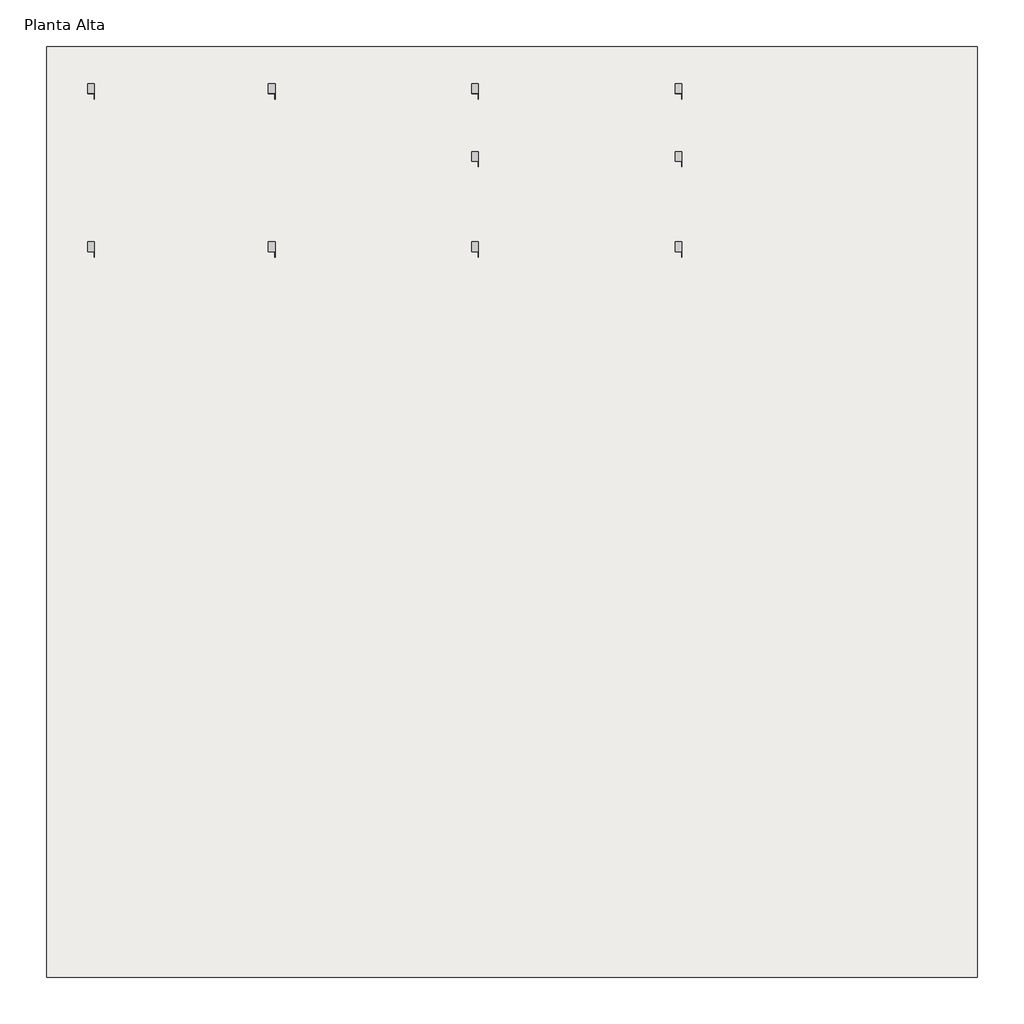
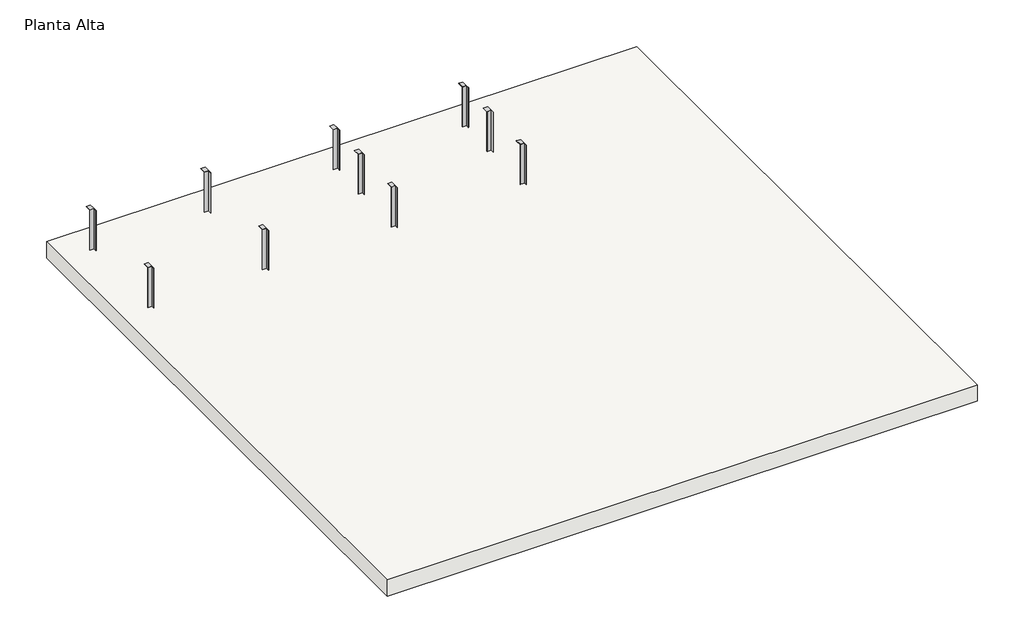
# One storey: 10 proxies, 1 slab.
"""IFC4 building model written with IfcOpenShell, lengths in millimetres."""

import ifcopenshell
import ifcopenshell.guid

model = None  # the IFC model being written
_history = None  # IfcOwnerHistory: only IFC2X3 demands one
_inside = {}  # id of a spatial element -> (the spatial element, [elements in it])
_under = {}  # id of a project, library or spatial element -> (it, [spatial elements below it])
_declared = {}  # id of a project -> (the project, [libraries it declares])
_typed = {}  # id of a type object -> (the type object, [elements of that type])
_made_of = {}  # id of a material, layer set ... -> (it, [elements and type objects made of it])


def new_model(schema):
    """Start an empty IFC model of exactly this schema.

    Asked for "IFC4X3", IfcOpenShell would pick the latest addendum, in which some entities
    have other attributes; the version numbers below select the first issue.
    IFC2X3 requires an IfcOwnerHistory on every rooted entity: one is made here for all.
    """
    global model, _history
    if schema == "IFC4X3":
        model = ifcopenshell.file(schema_version=(4, 3, 0, 0))
    else:
        model = ifcopenshell.file(schema=schema)
    _inside.clear()
    _under.clear()
    _declared.clear()
    _typed.clear()
    _made_of.clear()
    _history = None
    if model.schema == "IFC2X3":
        org = make("IfcOrganization", Name="unknown")
        user = make(
            "IfcPersonAndOrganization",
            ThePerson=make("IfcPerson", FamilyName="unknown"),
            TheOrganization=org,
        )
        app = make(
            "IfcApplication",
            ApplicationDeveloper=org,
            Version="unknown",
            ApplicationFullName="unknown",
            ApplicationIdentifier="unknown",
        )
        _history = make(
            "IfcOwnerHistory",
            OwningUser=user,
            OwningApplication=app,
            ChangeAction="ADDED",
            CreationDate=0,
        )
    return model


def make(cls, **values):
    """One entity of the class cls with the attributes given. An attribute that is None is left unset."""
    return model.create_entity(
        cls, **{name: value for name, value in values.items() if value is not None}
    )


def rooted(cls, **values):
    """An entity with a GlobalId (a new one), such as an element, a storey or a relation."""
    return make(cls, GlobalId=ifcopenshell.guid.new(), OwnerHistory=_history, **values)


def si_unit(unit_type, name, prefix=None):
    """IfcSIUnit, for example si_unit("LENGTHUNIT", "METRE", prefix="MILLI")."""
    return make("IfcSIUnit", UnitType=unit_type, Prefix=prefix, Name=name)


def assignment(units):
    """IfcUnitAssignment: the units of a project."""
    return None if units is None else make("IfcUnitAssignment", Units=units)


def point(xyz):
    """IfcCartesianPoint."""
    return None if xyz is None else make("IfcCartesianPoint", Coordinates=xyz)


def direction(xyz):
    """IfcDirection."""
    return None if xyz is None else make("IfcDirection", DirectionRatios=xyz)


def frame(location, z_axis=None, x_axis=None):
    """IfcAxis2Placement3D, a coordinate frame: its origin and axes. An axis left out is left unset."""
    return make(
        "IfcAxis2Placement3D",
        Location=point(location),
        Axis=direction(z_axis),
        RefDirection=direction(x_axis),
    )


def origin():
    """The frame at (0, 0, 0) with its axes left unset."""
    return frame((0.0, 0.0, 0.0))


def origin_with_axes():
    """The frame at (0, 0, 0) with the z axis (0, 0, 1) and the x axis (1, 0, 0) written out."""
    return frame((0.0, 0.0, 0.0), z_axis=(0.0, 0.0, 1.0), x_axis=(1.0, 0.0, 0.0))


def place(relative_to, where):
    """IfcLocalPlacement: puts the frame where relative to a parent placement (None: the world)."""
    return make(
        "IfcLocalPlacement", PlacementRelTo=relative_to, RelativePlacement=where
    )


def context(
    kind, dimensions, precision=None, world=None, true_north=None, identifier=None
):
    """IfcGeometricRepresentationContext, for example the 3D "Model" context."""
    return make(
        "IfcGeometricRepresentationContext",
        ContextIdentifier=identifier,
        ContextType=kind,
        CoordinateSpaceDimension=dimensions,
        Precision=precision,
        WorldCoordinateSystem=world,
        TrueNorth=true_north,
    )


def project(units=None, contexts=None):
    """IfcProject with its units and contexts."""
    return rooted(
        "IfcProject",
        Name="project",
        RepresentationContexts=contexts,
        UnitsInContext=assignment(units),
    )


def spatial(cls, under=None, at=None, **own):
    """A site, building, storey or space (cls), placed at a placement, below another one or the project."""
    s = rooted(cls, ObjectPlacement=at, **own)
    if under is not None:
        _under.setdefault(under.id(), (under, []))[1].append(s)
    return s


def polyline(points):
    """IfcPolyline through the points."""
    return make("IfcPolyline", Points=[point(p) for p in points])


def outline(outer, holes=None, kind="AREA"):
    """IfcArbitraryClosedProfileDef: a profile drawn as a closed curve; with holes, ...WithVoids."""
    if holes is None:
        return make("IfcArbitraryClosedProfileDef", ProfileType=kind, OuterCurve=outer)
    return make(
        "IfcArbitraryProfileDefWithVoids",
        ProfileType=kind,
        OuterCurve=outer,
        InnerCurves=holes,
    )


def extrude(swept, where, along, depth):
    """IfcExtrudedAreaSolid: the profile swept, set in the frame where, extruded along a direction by depth."""
    return make(
        "IfcExtrudedAreaSolid",
        SweptArea=swept,
        Position=where,
        ExtrudedDirection=direction(along),
        Depth=depth,
    )


def shape(context_of_items, identifier, shape_type, items):
    """IfcShapeRepresentation: the items that make up one representation, for example the "Body"."""
    return make(
        "IfcShapeRepresentation",
        ContextOfItems=context_of_items,
        RepresentationIdentifier=identifier,
        RepresentationType=shape_type,
        Items=items,
    )


def source(mapping_origin, context_of_items, identifier, shape_type, items):
    """IfcRepresentationMap: a shape defined once, which mapped items show again and again."""
    return make(
        "IfcRepresentationMap",
        MappingOrigin=mapping_origin,
        MappedRepresentation=shape(context_of_items, identifier, shape_type, items),
    )


def transform(
    local_origin,
    x_axis=None,
    y_axis=None,
    z_axis=None,
    scale=None,
    scale2=None,
    scale3=None,
    uniform=True,
):
    """IfcCartesianTransformationOperator3D, or its non-uniform kind. x_axis, y_axis, z_axis: its Axis1, 2, 3."""
    if uniform:
        return make(
            "IfcCartesianTransformationOperator3D",
            Axis1=direction(x_axis),
            Axis2=direction(y_axis),
            LocalOrigin=point(local_origin),
            Scale=scale,
            Axis3=direction(z_axis),
        )
    return make(
        "IfcCartesianTransformationOperator3DnonUniform",
        Axis1=direction(x_axis),
        Axis2=direction(y_axis),
        LocalOrigin=point(local_origin),
        Scale=scale,
        Axis3=direction(z_axis),
        Scale2=scale2,
        Scale3=scale3,
    )


def mapped(mapping_source, mapping_target):
    """IfcMappedItem: shows the shape of a source again, moved by a transform."""
    return make(
        "IfcMappedItem", MappingSource=mapping_source, MappingTarget=mapping_target
    )


def made_of(thing, what):
    """Note that an element or type object is made of a material, layer set ...; save() writes the relation."""
    if what is not None:
        _made_of.setdefault(what.id(), (what, []))[1].append(thing)
    return thing


def element(
    cls,
    number,
    at=None,
    inside=None,
    cuts=None,
    type_object=None,
    material=None,
    context=None,
    identifier="Body",
    shape_type=None,
    held_by="IfcProductDefinitionShape",
    body=None,
    shapes=None,
    **own,
):
    """One element of the class cls, such as IfcWall. Its Tag is "e" and its number.

    at: its placement. inside: the storey or other place that contains it. cuts: it is an
    opening in that element (IfcRelVoidsElement). A single representation is given by context,
    identifier, shape_type and body (its items); several are given by shapes. held_by: the class
    of the entity that holds the representations. save() writes the other relations.
    """
    e = rooted(cls, Tag="e%d" % number, ObjectPlacement=at, **own)
    if body is not None:
        shapes = [shape(context, identifier, shape_type, body)]
    if shapes is not None:
        e.Representation = make(held_by, Representations=shapes)
    if inside is not None:
        _inside.setdefault(inside.id(), (inside, []))[1].append(e)
    if cuts is not None:
        rooted(
            "IfcRelVoidsElement", RelatingBuildingElement=cuts, RelatedOpeningElement=e
        )
    if type_object is not None:
        _typed.setdefault(type_object.id(), (type_object, []))[1].append(e)
    return made_of(e, material)


def aggregate(whole, parts):
    """IfcRelAggregates: a whole, such as a stair, and the parts it consists of."""
    return rooted("IfcRelAggregates", RelatingObject=whole, RelatedObjects=parts)


def save(model, path):
    """Write the relations noted so far, then the file.

    IfcRelAggregates (storeys below a building ...), IfcRelContainedInSpatialStructure (elements
    in a storey), IfcRelDefinesByType, IfcRelAssociatesMaterial and IfcRelDeclares: one each for
    every whole, place, type object, material and project.
    """
    for whole, parts in _under.values():
        aggregate(whole, parts)
    for where, things in _inside.values():
        rooted(
            "IfcRelContainedInSpatialStructure",
            RelatedElements=things,
            RelatingStructure=where,
        )
    for kind, things in _typed.values():
        rooted("IfcRelDefinesByType", RelatedObjects=things, RelatingType=kind)
    for what, things in _made_of.values():
        rooted("IfcRelAssociatesMaterial", RelatedObjects=things, RelatingMaterial=what)
    for by, libraries in _declared.values():
        rooted("IfcRelDeclares", RelatingContext=by, RelatedDefinitions=libraries)
    model.write(path)


def perfil_angular_l_perfil_angular_l_34959dec(model_context):
    return source(origin(), model_context, "Body", "SweptSolid", [
        extrude(outline(polyline([(-55.2912174, 15.8), (-12.5, 15.8), (-12.5, -14.2), (-55.2912174, -14.2), (-55.2912174, 15.8)])), frame((0.0, 0.0, 599.2), z_axis=(0.0, 0.0, 1.0), x_axis=(1.0, 0.0, 0.0)), (0.0, 0.0, 1.0), 0.8),
        extrude(outline(polyline([(-12.5, 15.8), (12.5, 15.8), (12.5, 15.0), (-11.7, 15.0), (-11.7, -14.2), (-12.5, -14.2), (-12.5, 15.8)])), origin_with_axes(), (0.0, 0.0, 1.0), 600.0),
    ])


model = new_model("IFC4")

# Units and contexts
model_context = context("Model", 3, world=origin())
ifc_project = project(units=[si_unit("LENGTHUNIT", "METRE", prefix="MILLI")], contexts=[model_context])

# Site, building, storey
site = spatial("IfcSite", under=ifc_project)
building = spatial("IfcBuilding", under=site)
storey = spatial("IfcBuildingStorey", under=building, Name="Planta Alta", Elevation=2900.0)

# Proxies
placement = place(None, origin())
perfil_angular_l_perfil_angular_l_shape = perfil_angular_l_perfil_angular_l_34959dec(model_context)
element("IfcBuildingElementProxy", 1, Name="Perfil Angular L : Perfil Angular L", ObjectType="Perfil Angular L : Perfil Angular L", at=placement, inside=storey, context=model_context, shape_type="MappedRepresentation", body=[
    mapped(perfil_angular_l_perfil_angular_l_shape, transform((-5428.3479563, 662.1775389, 2716.0), x_axis=(0.0, -1.0, 0.0), y_axis=(1.0, 0.0, 0.0), z_axis=(0.0, 0.0, 1.0))),
])
element("IfcBuildingElementProxy", 2, Name="Perfil Angular L : Perfil Angular L", ObjectType="Perfil Angular L : Perfil Angular L", at=placement, inside=storey, context=model_context, shape_type="MappedRepresentation", body=[
    mapped(perfil_angular_l_perfil_angular_l_shape, transform((-5428.3479563, 1362.1775389, 2716.0), x_axis=(0.0, -1.0, 0.0), y_axis=(1.0, 0.0, 0.0), z_axis=(0.0, 0.0, 1.0))),
])
element("IfcBuildingElementProxy", 3, Name="Perfil Angular L : Perfil Angular L", ObjectType="Perfil Angular L : Perfil Angular L", at=placement, inside=storey, context=model_context, shape_type="MappedRepresentation", body=[
    mapped(perfil_angular_l_perfil_angular_l_shape, transform((-4628.3479563, 662.1775389, 2716.0), x_axis=(0.0, -1.0, 0.0), y_axis=(1.0, 0.0, 0.0), z_axis=(0.0, 0.0, 1.0))),
])
element("IfcBuildingElementProxy", 4, Name="Perfil Angular L : Perfil Angular L", ObjectType="Perfil Angular L : Perfil Angular L", at=placement, inside=storey, context=model_context, shape_type="MappedRepresentation", body=[
    mapped(perfil_angular_l_perfil_angular_l_shape, transform((-4628.3479563, 1362.1775389, 2716.0), x_axis=(0.0, -1.0, 0.0), y_axis=(1.0, 0.0, 0.0), z_axis=(0.0, 0.0, 1.0))),
])
element("IfcBuildingElementProxy", 5, Name="Perfil Angular L : Perfil Angular L", ObjectType="Perfil Angular L : Perfil Angular L", at=placement, inside=storey, context=model_context, shape_type="MappedRepresentation", body=[
    mapped(perfil_angular_l_perfil_angular_l_shape, transform((-3728.3479563, 662.1775389, 2716.0), x_axis=(0.0, -1.0, 0.0), y_axis=(1.0, 0.0, 0.0), z_axis=(0.0, 0.0, 1.0))),
])
element("IfcBuildingElementProxy", 6, Name="Perfil Angular L : Perfil Angular L", ObjectType="Perfil Angular L : Perfil Angular L", at=placement, inside=storey, context=model_context, shape_type="MappedRepresentation", body=[
    mapped(perfil_angular_l_perfil_angular_l_shape, transform((-3728.3479563, 1062.1775389, 2716.0), x_axis=(0.0, -1.0, 0.0), y_axis=(1.0, 0.0, 0.0), z_axis=(0.0, 0.0, 1.0))),
])
element("IfcBuildingElementProxy", 7, Name="Perfil Angular L : Perfil Angular L", ObjectType="Perfil Angular L : Perfil Angular L", at=placement, inside=storey, context=model_context, shape_type="MappedRepresentation", body=[
    mapped(perfil_angular_l_perfil_angular_l_shape, transform((-3728.3479563, 1362.1775389, 2716.0), x_axis=(0.0, -1.0, 0.0), y_axis=(1.0, 0.0, 0.0), z_axis=(0.0, 0.0, 1.0))),
])
element("IfcBuildingElementProxy", 8, Name="Perfil Angular L : Perfil Angular L", ObjectType="Perfil Angular L : Perfil Angular L", at=placement, inside=storey, context=model_context, shape_type="MappedRepresentation", body=[
    mapped(perfil_angular_l_perfil_angular_l_shape, transform((-2828.3479563, 662.1775389, 2716.0), x_axis=(0.0, -1.0, 0.0), y_axis=(1.0, 0.0, 0.0), z_axis=(0.0, 0.0, 1.0))),
])
element("IfcBuildingElementProxy", 9, Name="Perfil Angular L : Perfil Angular L", ObjectType="Perfil Angular L : Perfil Angular L", at=placement, inside=storey, context=model_context, shape_type="MappedRepresentation", body=[
    mapped(perfil_angular_l_perfil_angular_l_shape, transform((-2828.3479563, 1062.1775389, 2716.0), x_axis=(0.0, -1.0, 0.0), y_axis=(1.0, 0.0, 0.0), z_axis=(0.0, 0.0, 1.0))),
])
element("IfcBuildingElementProxy", 10, Name="Perfil Angular L : Perfil Angular L", ObjectType="Perfil Angular L : Perfil Angular L", at=placement, inside=storey, context=model_context, shape_type="MappedRepresentation", body=[
    mapped(perfil_angular_l_perfil_angular_l_shape, transform((-2828.3479563, 1362.1775389, 2716.0), x_axis=(0.0, -1.0, 0.0), y_axis=(1.0, 0.0, 0.0), z_axis=(0.0, 0.0, 1.0))),
])

# Slab
element("IfcSlab", 11, ObjectType="Floor 1", at=placement, inside=storey, context=model_context, shape_type="SweptSolid", body=[
    extrude(outline(polyline([(-5624.0295002, -2537.8224611), (-5624.0295002, 1582.1775389), (-1504.0295002, 1582.1775389), (-1504.0295002, -2537.8224611), (-5624.0295002, -2537.8224611)])), frame((0.0, 0.0, 2900.0), z_axis=(0.0, 0.0, 1.0), x_axis=(1.0, 0.0, 0.0)), (0.0, 0.0, 1.0), 120.0),
])

save(model, "model.ifc")
